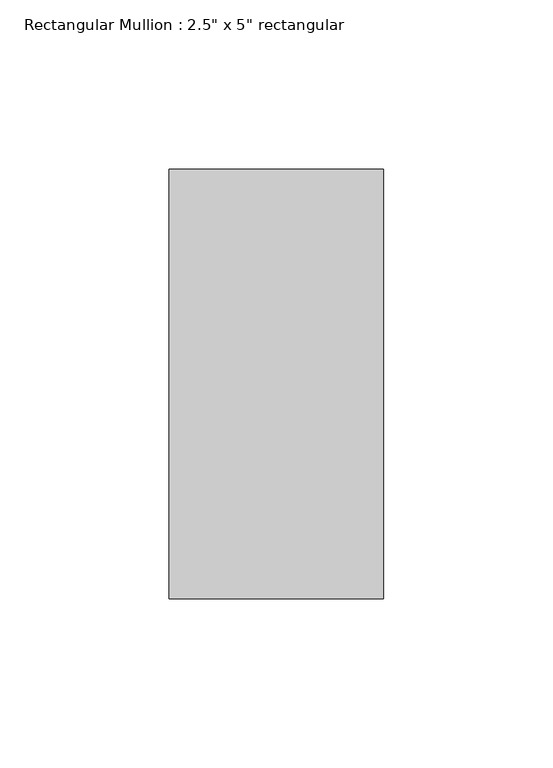
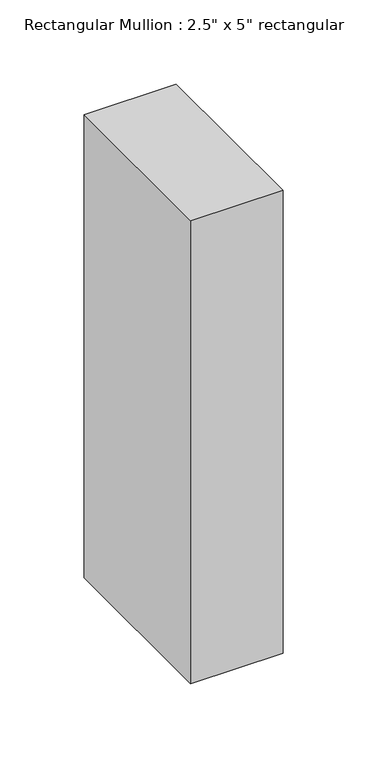
"""IFC4 building model written with IfcOpenShell, lengths in millimetres: member geometry."""

import ifcopenshell
import ifcopenshell.guid

model = None  # the IFC model being written
_history = None  # IfcOwnerHistory: only IFC2X3 demands one
_inside = {}  # id of a spatial element -> (the spatial element, [elements in it])
_under = {}  # id of a project, library or spatial element -> (it, [spatial elements below it])
_declared = {}  # id of a project -> (the project, [libraries it declares])
_typed = {}  # id of a type object -> (the type object, [elements of that type])
_made_of = {}  # id of a material, layer set ... -> (it, [elements and type objects made of it])


def new_model(schema):
    """Start an empty IFC model of exactly this schema.

    Asked for "IFC4X3", IfcOpenShell would pick the latest addendum, in which some entities
    have other attributes; the version numbers below select the first issue.
    IFC2X3 requires an IfcOwnerHistory on every rooted entity: one is made here for all.
    """
    global model, _history
    if schema == "IFC4X3":
        model = ifcopenshell.file(schema_version=(4, 3, 0, 0))
    else:
        model = ifcopenshell.file(schema=schema)
    _inside.clear()
    _under.clear()
    _declared.clear()
    _typed.clear()
    _made_of.clear()
    _history = None
    if model.schema == "IFC2X3":
        org = make("IfcOrganization", Name="unknown")
        user = make(
            "IfcPersonAndOrganization",
            ThePerson=make("IfcPerson", FamilyName="unknown"),
            TheOrganization=org,
        )
        app = make(
            "IfcApplication",
            ApplicationDeveloper=org,
            Version="unknown",
            ApplicationFullName="unknown",
            ApplicationIdentifier="unknown",
        )
        _history = make(
            "IfcOwnerHistory",
            OwningUser=user,
            OwningApplication=app,
            ChangeAction="ADDED",
            CreationDate=0,
        )
    return model


def make(cls, **values):
    """One entity of the class cls with the attributes given. An attribute that is None is left unset."""
    return model.create_entity(
        cls, **{name: value for name, value in values.items() if value is not None}
    )


def rooted(cls, **values):
    """An entity with a GlobalId (a new one), such as an element, a storey or a relation."""
    return make(cls, GlobalId=ifcopenshell.guid.new(), OwnerHistory=_history, **values)


def si_unit(unit_type, name, prefix=None):
    """IfcSIUnit, for example si_unit("LENGTHUNIT", "METRE", prefix="MILLI")."""
    return make("IfcSIUnit", UnitType=unit_type, Prefix=prefix, Name=name)


def assignment(units):
    """IfcUnitAssignment: the units of a project."""
    return None if units is None else make("IfcUnitAssignment", Units=units)


def point(xyz):
    """IfcCartesianPoint."""
    return None if xyz is None else make("IfcCartesianPoint", Coordinates=xyz)


def direction(xyz):
    """IfcDirection."""
    return None if xyz is None else make("IfcDirection", DirectionRatios=xyz)


def frame(location, z_axis=None, x_axis=None):
    """IfcAxis2Placement3D, a coordinate frame: its origin and axes. An axis left out is left unset."""
    return make(
        "IfcAxis2Placement3D",
        Location=point(location),
        Axis=direction(z_axis),
        RefDirection=direction(x_axis),
    )


def origin():
    """The frame at (0, 0, 0) with its axes left unset."""
    return frame((0.0, 0.0, 0.0))


def place(relative_to, where):
    """IfcLocalPlacement: puts the frame where relative to a parent placement (None: the world)."""
    return make(
        "IfcLocalPlacement", PlacementRelTo=relative_to, RelativePlacement=where
    )


def context(
    kind, dimensions, precision=None, world=None, true_north=None, identifier=None
):
    """IfcGeometricRepresentationContext, for example the 3D "Model" context."""
    return make(
        "IfcGeometricRepresentationContext",
        ContextIdentifier=identifier,
        ContextType=kind,
        CoordinateSpaceDimension=dimensions,
        Precision=precision,
        WorldCoordinateSystem=world,
        TrueNorth=true_north,
    )


def project(units=None, contexts=None):
    """IfcProject with its units and contexts."""
    return rooted(
        "IfcProject",
        Name="project",
        RepresentationContexts=contexts,
        UnitsInContext=assignment(units),
    )


def spatial(cls, under=None, at=None, **own):
    """A site, building, storey or space (cls), placed at a placement, below another one or the project."""
    s = rooted(cls, ObjectPlacement=at, **own)
    if under is not None:
        _under.setdefault(under.id(), (under, []))[1].append(s)
    return s


def polyline(points):
    """IfcPolyline through the points."""
    return make("IfcPolyline", Points=[point(p) for p in points])


def outline(outer, holes=None, kind="AREA"):
    """IfcArbitraryClosedProfileDef: a profile drawn as a closed curve; with holes, ...WithVoids."""
    if holes is None:
        return make("IfcArbitraryClosedProfileDef", ProfileType=kind, OuterCurve=outer)
    return make(
        "IfcArbitraryProfileDefWithVoids",
        ProfileType=kind,
        OuterCurve=outer,
        InnerCurves=holes,
    )


def extrude(swept, where, along, depth):
    """IfcExtrudedAreaSolid: the profile swept, set in the frame where, extruded along a direction by depth."""
    return make(
        "IfcExtrudedAreaSolid",
        SweptArea=swept,
        Position=where,
        ExtrudedDirection=direction(along),
        Depth=depth,
    )


def shape(context_of_items, identifier, shape_type, items):
    """IfcShapeRepresentation: the items that make up one representation, for example the "Body"."""
    return make(
        "IfcShapeRepresentation",
        ContextOfItems=context_of_items,
        RepresentationIdentifier=identifier,
        RepresentationType=shape_type,
        Items=items,
    )


def source(mapping_origin, context_of_items, identifier, shape_type, items):
    """IfcRepresentationMap: a shape defined once, which mapped items show again and again."""
    return make(
        "IfcRepresentationMap",
        MappingOrigin=mapping_origin,
        MappedRepresentation=shape(context_of_items, identifier, shape_type, items),
    )


def transform(
    local_origin,
    x_axis=None,
    y_axis=None,
    z_axis=None,
    scale=None,
    scale2=None,
    scale3=None,
    uniform=True,
):
    """IfcCartesianTransformationOperator3D, or its non-uniform kind. x_axis, y_axis, z_axis: its Axis1, 2, 3."""
    if uniform:
        return make(
            "IfcCartesianTransformationOperator3D",
            Axis1=direction(x_axis),
            Axis2=direction(y_axis),
            LocalOrigin=point(local_origin),
            Scale=scale,
            Axis3=direction(z_axis),
        )
    return make(
        "IfcCartesianTransformationOperator3DnonUniform",
        Axis1=direction(x_axis),
        Axis2=direction(y_axis),
        LocalOrigin=point(local_origin),
        Scale=scale,
        Axis3=direction(z_axis),
        Scale2=scale2,
        Scale3=scale3,
    )


def mapped(mapping_source, mapping_target):
    """IfcMappedItem: shows the shape of a source again, moved by a transform."""
    return make(
        "IfcMappedItem", MappingSource=mapping_source, MappingTarget=mapping_target
    )


def made_of(thing, what):
    """Note that an element or type object is made of a material, layer set ...; save() writes the relation."""
    if what is not None:
        _made_of.setdefault(what.id(), (what, []))[1].append(thing)
    return thing


def element(
    cls,
    number,
    at=None,
    inside=None,
    cuts=None,
    type_object=None,
    material=None,
    context=None,
    identifier="Body",
    shape_type=None,
    held_by="IfcProductDefinitionShape",
    body=None,
    shapes=None,
    **own,
):
    """One element of the class cls, such as IfcWall. Its Tag is "e" and its number.

    at: its placement. inside: the storey or other place that contains it. cuts: it is an
    opening in that element (IfcRelVoidsElement). A single representation is given by context,
    identifier, shape_type and body (its items); several are given by shapes. held_by: the class
    of the entity that holds the representations. save() writes the other relations.
    """
    e = rooted(cls, Tag="e%d" % number, ObjectPlacement=at, **own)
    if body is not None:
        shapes = [shape(context, identifier, shape_type, body)]
    if shapes is not None:
        e.Representation = make(held_by, Representations=shapes)
    if inside is not None:
        _inside.setdefault(inside.id(), (inside, []))[1].append(e)
    if cuts is not None:
        rooted(
            "IfcRelVoidsElement", RelatingBuildingElement=cuts, RelatedOpeningElement=e
        )
    if type_object is not None:
        _typed.setdefault(type_object.id(), (type_object, []))[1].append(e)
    return made_of(e, material)


def aggregate(whole, parts):
    """IfcRelAggregates: a whole, such as a stair, and the parts it consists of."""
    return rooted("IfcRelAggregates", RelatingObject=whole, RelatedObjects=parts)


def save(model, path):
    """Write the relations noted so far, then the file.

    IfcRelAggregates (storeys below a building ...), IfcRelContainedInSpatialStructure (elements
    in a storey), IfcRelDefinesByType, IfcRelAssociatesMaterial and IfcRelDeclares: one each for
    every whole, place, type object, material and project.
    """
    for whole, parts in _under.values():
        aggregate(whole, parts)
    for where, things in _inside.values():
        rooted(
            "IfcRelContainedInSpatialStructure",
            RelatedElements=things,
            RelatingStructure=where,
        )
    for kind, things in _typed.values():
        rooted("IfcRelDefinesByType", RelatedObjects=things, RelatingType=kind)
    for what, things in _made_of.values():
        rooted("IfcRelAssociatesMaterial", RelatedObjects=things, RelatingMaterial=what)
    for by, libraries in _declared.values():
        rooted("IfcRelDeclares", RelatingContext=by, RelatedDefinitions=libraries)
    model.write(path)


def member_02b8d6b6(model_context):
    return source(origin(), model_context, "Body", "SweptSolid", [
        extrude(outline(polyline([(0.0, 63.5), (0.0, -63.5), (-63.5, -63.5), (-63.5, 63.5), (0.0, 63.5)])), frame((0.0, 0.0, -336.55), z_axis=(0.0, 0.0, 1.0), x_axis=(1.0, 0.0, 0.0)), (0.0, 0.0, 1.0), 336.55),
    ])


if __name__ == "__main__":
    model = new_model("IFC4")
    model_context = context("Model", 3, world=origin())
    ifc_project = project(units=[si_unit("LENGTHUNIT", "METRE", prefix="MILLI")], contexts=[model_context])
    site = spatial("IfcSite", under=ifc_project)
    building = spatial("IfcBuilding", under=site)
    placement = place(None, origin())
    member_shape = member_02b8d6b6(model_context)
    element("IfcMember", 1, ObjectType="Rectangular Mullion : 2.5\" x 5\" rectangular", at=placement, inside=building, context=model_context, shape_type="MappedRepresentation", body=[
        mapped(member_shape, transform((0.0, 0.0, 0.0), x_axis=(1.0, 0.0, 0.0), y_axis=(0.0, 1.0, 0.0), z_axis=(0.0, 0.0, 1.0))),
    ])
    save(model, "model.ifc")
